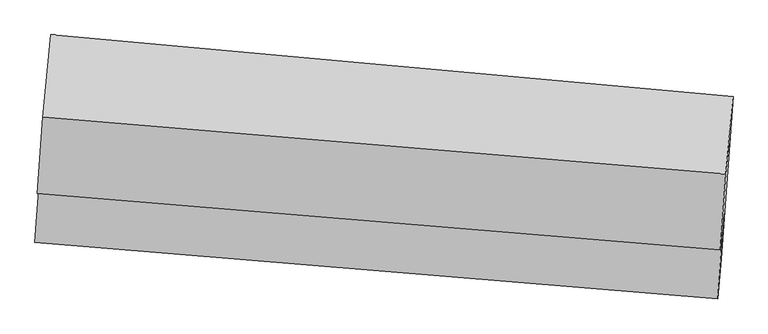
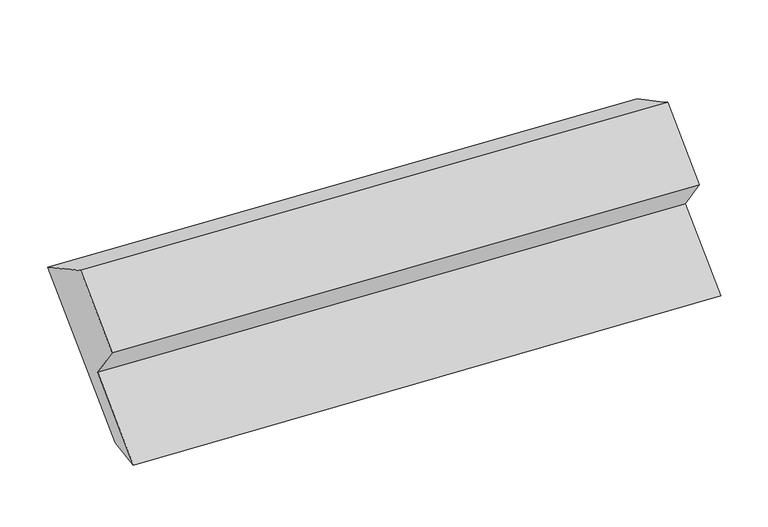
"""IFC4 building model written with IfcOpenShell, lengths in millimetres: proxy geometry."""

from ifc_helpers import new_model, si_unit, frame, origin, place, context, project, spatial, source, transform, mapped, element, save
from ifc_brep_helpers import plane_surface, spline_surface, advanced_brep


def generic_models_6bc8d0c3(model_context):
    return source(origin(), model_context, "Body", "AdvancedBrep", [
        advanced_brep(
        [(-5117.5594121, -1577.7420736, 1362.771715), (-5039.5858725, -510.5201548, 2171.5512342), (-557.5140258, -916.4115061, 2275.0320199), (-635.4875654, -1983.6334249, 1466.2525006), (-5142.7448241, -1876.005702, 1361.9263773), (-657.6293345, -2247.9875454, 1453.5378109), (-5101.3794768, -1309.8392116, 1790.9879003), (-616.8453023, -1689.7774993, 1876.5696516), (-5126.7293641, -1552.374653, 2113.4685683), (-641.5681853, -1926.3140675, 2191.0740807), (-5090.1744891, -1052.0489788, 2492.6335302), (-605.0133103, -1425.9883933, 2570.2390427)],
        [
            (0, 1),
            (1, 2),
            (2, 3),
            (3, 0),
            (4, 0),
            (3, 5),
            (5, 4),
            (6, 4),
            (5, 7),
            (7, 6),
            (8, 6),
            (7, 9),
            (9, 8),
            (10, 8),
            (9, 11),
            (11, 10),
            (1, 10),
            (11, 2),
        ],
        [
            plane_surface(frame((-5078.5726423, -1044.1311142, 1767.1614746), z_axis=(0.07265712755833309, 0.5990159056166693, -0.7974339387267224), x_axis=(0.05813150064854833, 0.7956444196193729, 0.6029682298105755))),
            spline_surface(1, 1, [[(-5142.7448241, -1876.005702, 1361.9263773), (-657.6293345, -2247.9875454, 1453.5378109)], [(-5117.5594121, -1577.7420736, 1362.771715), (-635.4875654, -1983.6334249, 1466.2525006)]], [2, 2], [2, 2], [0.0, 1.0], [0.0, 1.0]),
            plane_surface(frame((-5122.0621505, -1592.9224568, 1576.4571388), z_axis=(-0.06602017089534581, -0.599603492794853, 0.7975694254816706), x_axis=(-0.05813150064854675, -0.7956444196193676, -0.6029682298105827))),
            plane_surface(frame((-5114.0544205, -1431.1069323, 1952.2282343), z_axis=(-0.05591795578006378, -0.795829450660337, -0.6029333857757798), x_axis=(0.06270042712243772, 0.5998873141483475, -0.7976238880340444))),
            plane_surface(frame((-5108.4519266, -1302.2118159, 2303.0510492), z_axis=(-0.0638070912015165, -0.5997934467086019, 0.7976067178740516), x_axis=(-0.05813150064854836, -0.7956444196193779, -0.602968229810569))),
            spline_surface(1, 1, [[(-5039.5858725, -510.5201548, 2171.5512342), (-557.5140258, -916.4115061, 2275.0320199)], [(-5090.1744891, -1052.0489788, 2492.6335302), (-605.0133103, -1425.9883933, 2570.2390427)]], [2, 2], [2, 2], [0.0, 1.0], [0.0, 1.0]),
            plane_surface(frame((-619.0096206, -1698.3520728, 1972.1175177), z_axis=(0.9963379873672448, -0.08417343911493116, 0.015014895156248778), x_axis=(0.06270042712243772, 0.5998873141483475, -0.7976238880340444))),
            plane_surface(frame((-5103.0289064, -1313.0884623, 1882.2232209), z_axis=(-0.9963379873672449, 0.08417343911493093, -0.01501489515624499), x_axis=(-0.058131500648548926, -0.7956444196193683, -0.6029682298105817))),
        ],
        [
            (0, [[1, 2, 3, 4]]),
            (1, [[5, -4, 6, 7]]),
            (2, [[8, -7, 9, 10]]),
            (3, [[11, -10, 12, 13]]),
            (4, [[14, -13, 15, 16]]),
            (5, [[17, -16, 18, -2]]),
            (6, [[-12, -9, -6, -3, -18, -15]]),
            (7, [[-1, -5, -8, -11, -14, -17]]),
        ],
    ),
    ])


if __name__ == "__main__":
    model = new_model("IFC4")
    model_context = context("Model", 3, world=origin())
    ifc_project = project(units=[si_unit("LENGTHUNIT", "METRE", prefix="MILLI")], contexts=[model_context])
    site = spatial("IfcSite", under=ifc_project)
    building = spatial("IfcBuilding", under=site)
    placement = place(None, origin())
    generic_models_shape = generic_models_6bc8d0c3(model_context)
    element("IfcBuildingElementProxy", 1, Name="Generic Models", at=placement, inside=building, context=model_context, shape_type="MappedRepresentation", body=[
        mapped(generic_models_shape, transform((0.0, 0.0, 0.0), x_axis=(1.0, 0.0, 0.0), y_axis=(0.0, 1.0, 0.0), z_axis=(0.0, 0.0, 1.0))),
    ])
    save(model, "model.ifc")
